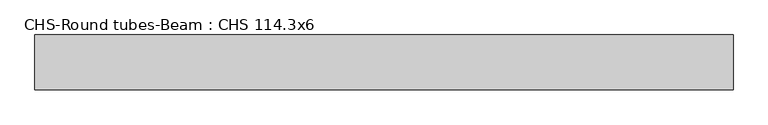
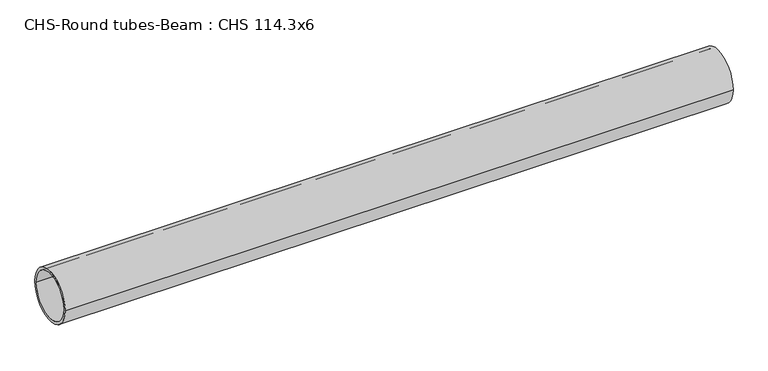
"""IFC4 building model written with IfcOpenShell, lengths in millimetres: beam geometry, CHS-Round tubes-Beam : CHS 114.3x6."""

from ifc_helpers import new_model, si_unit, point, frame, origin, origin_2d, place, context, project, spatial, circle_curve, trimmed, segment, composite_curve, outline, extrude, source, transform, mapped, element, save


def chs_round_tubes_beam_chs_114_3x6_c327e932(model_context):
    return source(origin(), model_context, "Body", "SweptSolid", [
        extrude(outline(composite_curve([segment(trimmed(circle_curve(origin_2d(), 57.15), [point((57.15, 0.0))], [point((-57.15, 0.0))], False, "CARTESIAN"), True, "CONTINUOUS"), segment(trimmed(circle_curve(origin_2d(), 57.15), [point((-57.15, 0.0))], [point((57.15, 0.0))], False, "CARTESIAN"), True, "CONTINUOUS")], self_intersect=False), holes=[composite_curve([segment(trimmed(circle_curve(origin_2d(), 51.15), [point((51.15, 0.0))], [point((-51.15, 0.0))], True, "CARTESIAN"), True, "CONTINUOUS"), segment(trimmed(circle_curve(origin_2d(), 51.15), [point((-51.15, 0.0))], [point((51.15, 0.0))], True, "CARTESIAN"), True, "CONTINUOUS")], self_intersect=False)]), frame((-746.7265102, 0.0, 0.0), z_axis=(1.0, 0.0, 0.0), x_axis=(0.0, 1.0, 0.0)), (0.0, 0.0, 1.0), 1458.5416871),
    ])


if __name__ == "__main__":
    model = new_model("IFC4")
    model_context = context("Model", 3, world=origin())
    ifc_project = project(units=[si_unit("LENGTHUNIT", "METRE", prefix="MILLI")], contexts=[model_context])
    site = spatial("IfcSite", under=ifc_project)
    building = spatial("IfcBuilding", under=site)
    placement = place(None, origin())
    chs_round_tubes_beam_chs_114_3x6_shape = chs_round_tubes_beam_chs_114_3x6_c327e932(model_context)
    element("IfcBeam", 1, ObjectType="CHS-Round tubes-Beam : CHS 114.3x6", at=placement, inside=building, context=model_context, shape_type="MappedRepresentation", body=[
        mapped(chs_round_tubes_beam_chs_114_3x6_shape, transform((0.0, 0.0, 0.0), x_axis=(1.0, 0.0, 0.0), y_axis=(0.0, 1.0, 0.0), z_axis=(0.0, 0.0, 1.0))),
    ])
    save(model, "model.ifc")
